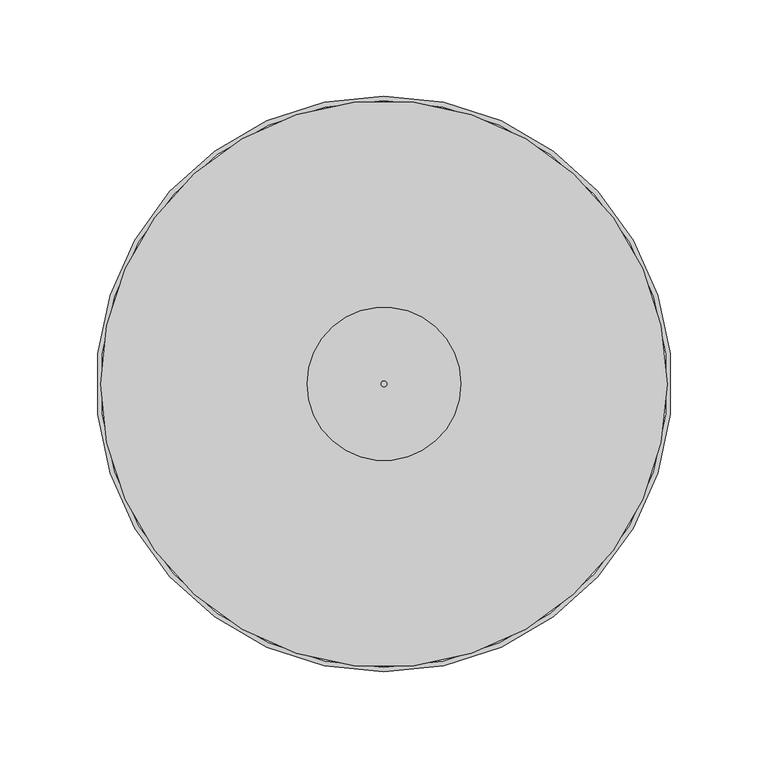
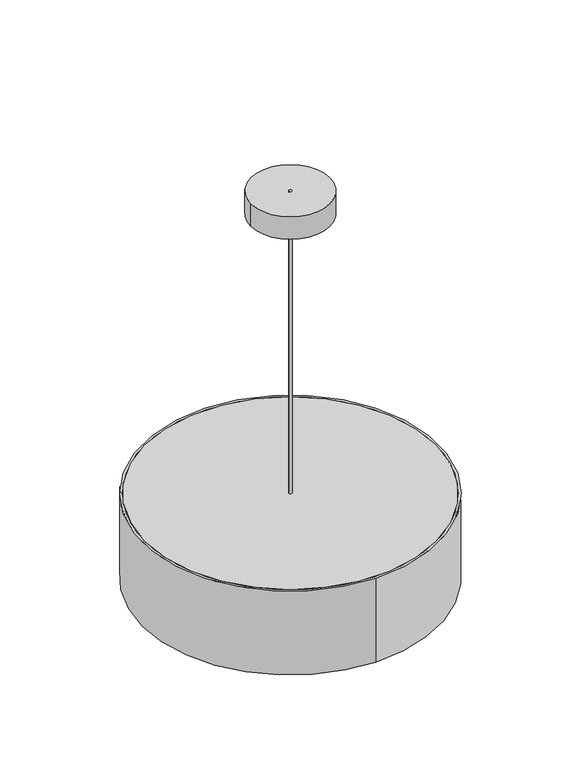
"""IFC4 building model written with IfcOpenShell, lengths in millimetres: light fixture geometry."""

from ifc_helpers import new_model, si_unit, point, frame, origin, origin_2d, place, context, project, spatial, circle_curve, trimmed, segment, composite_curve, outline, extrude, source, transform, mapped, element, save


def light_fixture_a78b2aee(model_context):
    return source(origin(), model_context, "Body", "SweptSolid", [
        extrude(outline(composite_curve([segment(trimmed(circle_curve(origin_2d(), 147.5), [point((147.5, 0.0))], [point((-147.5, 0.0))], False, "CARTESIAN"), True, "CONTINUOUS"), segment(trimmed(circle_curve(origin_2d(), 147.5), [point((-147.5, 0.0))], [point((147.5, 0.0))], False, "CARTESIAN"), True, "CONTINUOUS")], self_intersect=False)), frame((0.0, 0.0, -329.0), z_axis=(0.0, 0.0, 1.0), x_axis=(1.0, 0.0, 0.0)), (0.0, 0.0, 1.0), 5.0),
        extrude(outline(composite_curve([segment(trimmed(circle_curve(origin_2d(), 1.5), [point((-1.5, 0.0))], [point((1.5, 0.0))], False, "CARTESIAN"), True, "CONTINUOUS"), segment(trimmed(circle_curve(origin_2d(), 1.5), [point((1.5, 0.0))], [point((-1.5, 0.0))], False, "CARTESIAN"), True, "CONTINUOUS")], self_intersect=False)), frame((0.0, 0.0, -324.0), z_axis=(0.0, 0.0, 1.0), x_axis=(1.0, 0.0, 0.0)), (0.0, 0.0, 1.0), 324.0),
        extrude(outline(composite_curve([segment(trimmed(circle_curve(origin_2d(), 40.0), [point((-40.0, 0.0))], [point((40.0, 0.0))], False, "CARTESIAN"), True, "CONTINUOUS"), segment(trimmed(circle_curve(origin_2d(), 40.0), [point((40.0, 0.0))], [point((-40.0, 0.0))], False, "CARTESIAN"), True, "CONTINUOUS")], self_intersect=False)), frame((0.0, 0.0, -24.0), z_axis=(0.0, 0.0, 1.0), x_axis=(1.0, 0.0, 0.0)), (0.0, 0.0, 1.0), 24.0),
        extrude(outline(composite_curve([segment(trimmed(circle_curve(origin_2d(), 147.5), [point((147.5, 0.0))], [point((-147.5, 0.0))], False, "CARTESIAN"), True, "CONTINUOUS"), segment(trimmed(circle_curve(origin_2d(), 147.5), [point((-147.5, 0.0))], [point((147.5, 0.0))], False, "CARTESIAN"), True, "CONTINUOUS")], self_intersect=False)), frame((0.0, 0.0, -406.0), z_axis=(0.0, 0.0, 1.0), x_axis=(1.0, 0.0, 0.0)), (0.0, 0.0, 1.0), 8.0),
        extrude(outline(composite_curve([segment(trimmed(circle_curve(origin_2d(), 150.0), [point((0.0, 150.0))], [point((0.0, -150.0))], False, "CARTESIAN"), True, "CONTINUOUS"), segment(trimmed(circle_curve(origin_2d(), 150.0), [point((0.0, -150.0))], [point((0.0, 150.0))], False, "CARTESIAN"), True, "CONTINUOUS")], self_intersect=False), holes=[composite_curve([segment(trimmed(circle_curve(origin_2d(), 147.5), [point((0.0, 147.5))], [point((0.0, -147.5))], True, "CARTESIAN"), True, "CONTINUOUS"), segment(trimmed(circle_curve(origin_2d(), 147.5), [point((0.0, -147.5))], [point((0.0, 147.5))], True, "CARTESIAN"), True, "CONTINUOUS")], self_intersect=False)]), frame((0.0, 0.0, -414.0), z_axis=(0.0, 0.0, 1.0), x_axis=(1.0, 0.0, 0.0)), (0.0, 0.0, 1.0), 90.0),
    ])


if __name__ == "__main__":
    model = new_model("IFC4")
    model_context = context("Model", 3, world=origin())
    ifc_project = project(units=[si_unit("LENGTHUNIT", "METRE", prefix="MILLI")], contexts=[model_context])
    site = spatial("IfcSite", under=ifc_project)
    building = spatial("IfcBuilding", under=site)
    placement = place(None, origin())
    light_fixture_shape = light_fixture_a78b2aee(model_context)
    element("IfcLightFixture", 1, at=placement, inside=building, context=model_context, shape_type="MappedRepresentation", body=[
        mapped(light_fixture_shape, transform((0.0, 0.0, 0.0), x_axis=(1.0, 0.0, 0.0), y_axis=(0.0, 1.0, 0.0), z_axis=(0.0, 0.0, 1.0))),
    ])
    save(model, "model.ifc")
